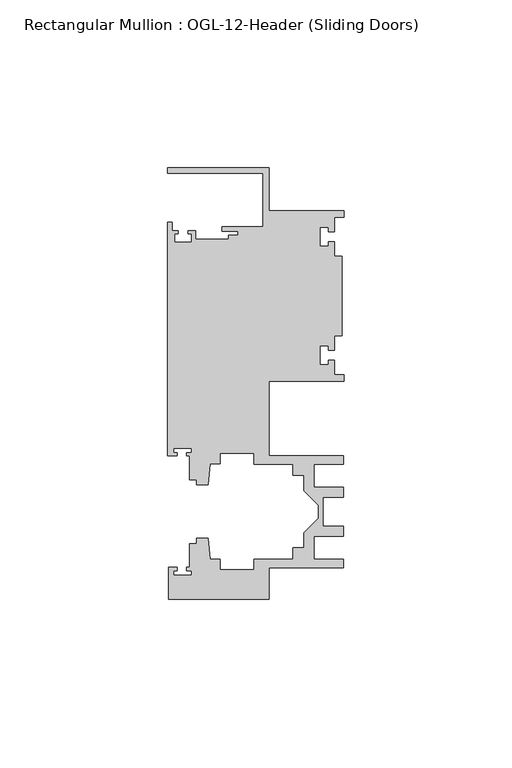
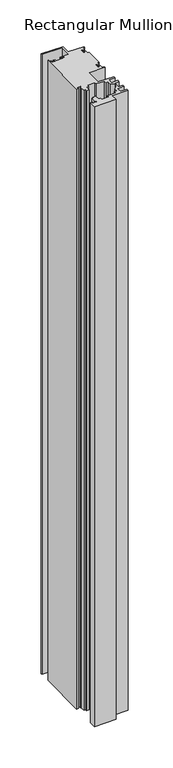
"""IFC4 building model written with IfcOpenShell, lengths in millimetres: member geometry, Rectangular Mullion : OGL-12-Header (Sliding Doors)."""

from ifc_helpers import new_model, si_unit, frame, origin, place, context, project, spatial, polyline, outline, extrude, source, transform, mapped, element, save


def rectangular_mullion_ogl_12_header_sliding_doors_4e06f7b3(model_context):
    return source(origin(), model_context, "Body", "SweptSolid", [
        extrude(outline(polyline([(0.0, 25.4), (0.0, 23.488176), (-2.740223, 23.488176), (-2.740223, 19.1395859), (-4.5407068, 19.1395859), (-4.5407068, 20.5271706), (-7.0406862, 20.5271706), (-7.0406862, 14.7651725), (-4.5407047, 14.7651725), (-4.5407047, 16.1605952), (-2.740223, 16.1605952), (-2.740223, 11.8041704), (-0.508, 11.8041704), (-0.508, -11.8041704), (-2.740223, -11.8041704), (-2.740223, -16.1605952), (-4.5407047, -16.1605952), (-4.5407047, -14.7651725), (-7.0406862, -14.7651725), (-7.0406862, -20.5271706), (-4.5407068, -20.5271706), (-4.5407068, -19.1395859), (-2.740223, -19.1395859), (-2.740223, -23.488176), (0.0, -23.488176), (0.0, -25.4), (-22.2332898, -25.4), (-22.2332898, -47.513352), (-0.0082575, -47.513352), (-0.0082575, -50.013352), (-8.8582575, -50.013352), (-8.8582575, -56.8562795), (-0.0082575, -56.8562795), (-0.0082575, -59.8562795), (-6.1582575, -59.8562795), (-6.1582575, -68.5325565), (-0.0082575, -68.5325565), (-0.0082575, -71.5325565), (-8.8582575, -71.5325565), (-8.8582575, -78.375484), (-0.0082575, -78.375484), (-0.0082575, -80.875484), (-22.2032575, -80.875484), (-22.2032575, -90.3252352), (-52.2095715, -90.3252352), (-52.2095715, -80.7425364), (-49.5692346, -80.7425364), (-49.5692346, -81.7156466), (-50.6220715, -81.7156466), (-50.6220715, -83.0934363), (-45.3220715, -83.0934363), (-45.3220715, -81.7156466), (-46.8181909, -81.7156466), (-46.8181909, -80.7425364), (-45.9710366, -80.7425364), (-45.9710366, -73.7629518), (-43.7582575, -73.7629518), (-43.7582575, -72.175484), (-40.3395523, -72.175484), (-39.7961967, -78.3860669), (-36.8419772, -78.3860669), (-36.8419772, -81.550484), (-26.7462575, -81.550484), (-26.7462575, -78.375484), (-15.0768765, -78.375484), (-15.0768765, -74.975484), (-11.8582575, -74.975484), (-11.8582575, -70.4941892), (-7.4980859, -66.1340176), (-7.4980859, -62.2548184), (-11.8582575, -57.8946468), (-11.8582575, -53.413352), (-15.0768765, -53.413352), (-15.0768765, -50.013352), (-26.7462575, -50.013352), (-26.7462575, -46.838352), (-36.8419772, -46.838352), (-36.8419772, -50.0027691), (-39.7961967, -50.0027691), (-40.3395523, -56.213352), (-43.7582575, -56.213352), (-43.7582575, -54.6622994), (-45.9710366, -54.6622994), (-45.9710366, -47.583496), (-46.769305, -47.583496), (-46.769305, -46.7096046), (-45.3220715, -46.7096046), (-45.3220715, -45.3318149), (-50.6220715, -45.3318149), (-50.6220715, -46.7096046), (-49.5910554, -46.7096046), (-49.5910554, -47.583496), (-52.3921824, -47.583496), (-52.3921824, 21.9710976), (-51.1362531, 21.9710976), (-51.1362531, 19.4824275), (-49.3568347, 19.4824275), (-49.3568347, 18.4751625), (-50.359397, 18.4751625), (-50.359397, 15.9751675), (-45.359407, 15.9751675), (-45.359407, 18.4751625), (-46.3304245, 18.4751625), (-46.3304245, 19.4824275), (-44.1094055, 19.4824275), (-44.1094055, 16.8641675), (-34.2833684, 16.8641675), (-34.2833684, 18.1510261), (-31.5444935, 18.1510261), (-31.5444935, 19.3006707), (-36.2104247, 19.3006707), (-36.2104247, 20.5916734), (-24.0747898, 20.5916734), (-24.0747898, 36.512516), (-52.3921824, 36.512516), (-52.3921824, 38.0996792), (-22.2332898, 38.0996792), (-22.2332898, 25.4), (0.0, 25.4)])), frame((0.0, 0.0, -914.4), z_axis=(0.0, 0.0, 1.0), x_axis=(1.0, 0.0, 0.0)), (0.0, 0.0, 1.0), 914.4),
    ])


if __name__ == "__main__":
    model = new_model("IFC4")
    model_context = context("Model", 3, world=origin())
    ifc_project = project(units=[si_unit("LENGTHUNIT", "METRE", prefix="MILLI")], contexts=[model_context])
    site = spatial("IfcSite", under=ifc_project)
    building = spatial("IfcBuilding", under=site)
    placement = place(None, origin())
    rectangular_mullion_ogl_12_header_sliding_doors_shape = rectangular_mullion_ogl_12_header_sliding_doors_4e06f7b3(model_context)
    element("IfcMember", 1, ObjectType="Rectangular Mullion : OGL-12-Header (Sliding Doors)", at=placement, inside=building, context=model_context, shape_type="MappedRepresentation", body=[
        mapped(rectangular_mullion_ogl_12_header_sliding_doors_shape, transform((0.0, 0.0, 0.0), x_axis=(1.0, 0.0, 0.0), y_axis=(0.0, 1.0, 0.0), z_axis=(0.0, 0.0, 1.0))),
    ])
    save(model, "model.ifc")
